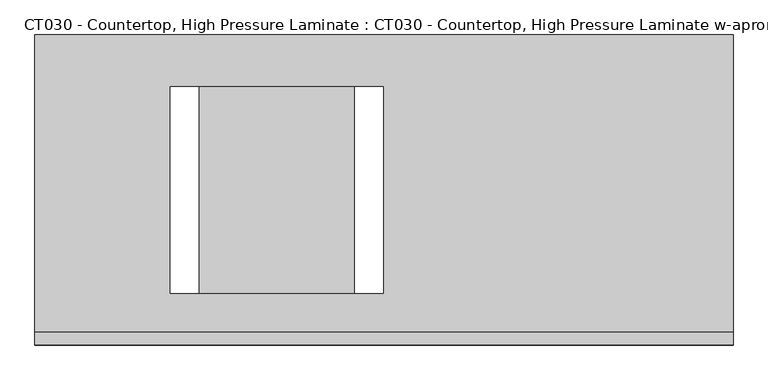
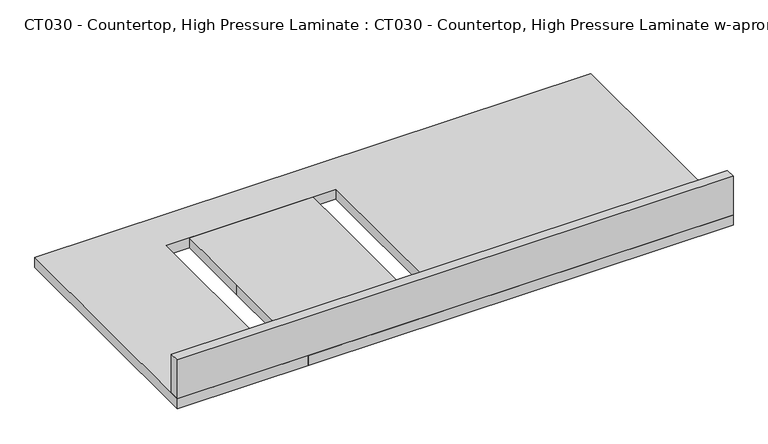
"""IFC4 building model written with IfcOpenShell, lengths in millimetres: proxy geometry, CT030 - Countertop, High Pressure Laminate : CT030 - Countertop, High Pressure Laminate w-apron."""

from ifc_helpers import new_model, si_unit, frame, origin, origin_with_axes, place, context, project, spatial, polyline, outline, extrude, source, transform, mapped, element, save


def ct030_countertop_high_pressure_laminate_ct030_countertop_ae103b96(model_context):
    return source(origin(), model_context, "Body", "SweptSolid", [
        extrude(outline(polyline([(897.2318212, -304.8), (-475.3106584, -304.8), (-475.3106584, 304.8), (897.2318212, 304.8), (897.2318212, -304.8)]), holes=[polyline([(209.55, -203.2), (209.55, 203.2), (-209.55, 203.2), (-209.55, -203.2), (209.55, -203.2)])]), origin_with_axes(), (0.0, 0.0, 1.0), 25.4),
        extrude(outline(polyline([(-475.3106584, -279.4), (897.2318212, -279.4), (897.2318212, -304.8), (-475.3106584, -304.8), (-475.3106584, -279.4)])), frame((0.0, 0.0, 25.4), z_axis=(0.0, 0.0, 1.0), x_axis=(1.0, 0.0, 0.0)), (0.0, 0.0, 1.0), 101.6),
        extrude(outline(polyline([(-152.4, -304.8), (-152.4, 0.0), (-152.4, 304.8), (152.4, 304.8), (152.4, -304.8), (-152.4, -304.8)])), origin_with_axes(), (0.0, 0.0, 1.0), 25.4),
    ])


if __name__ == "__main__":
    model = new_model("IFC4")
    model_context = context("Model", 3, world=origin())
    ifc_project = project(units=[si_unit("LENGTHUNIT", "METRE", prefix="MILLI")], contexts=[model_context])
    site = spatial("IfcSite", under=ifc_project)
    building = spatial("IfcBuilding", under=site)
    placement = place(None, origin())
    ct030_countertop_high_pressure_laminate_ct030_countertop_shape = ct030_countertop_high_pressure_laminate_ct030_countertop_ae103b96(model_context)
    element("IfcBuildingElementProxy", 1, Name="CT030 - Countertop, High Pressure Laminate : CT030 - Countertop, High Pressure Laminate w-apron", ObjectType="CT030 - Countertop, High Pressure Laminate : CT030 - Countertop, High Pressure Laminate w-apron", at=placement, inside=building, context=model_context, shape_type="MappedRepresentation", body=[
        mapped(ct030_countertop_high_pressure_laminate_ct030_countertop_shape, transform((0.0, 0.0, 0.0), x_axis=(1.0, 0.0, 0.0), y_axis=(0.0, 1.0, 0.0), z_axis=(0.0, 0.0, 1.0))),
    ])
    save(model, "model.ifc")
